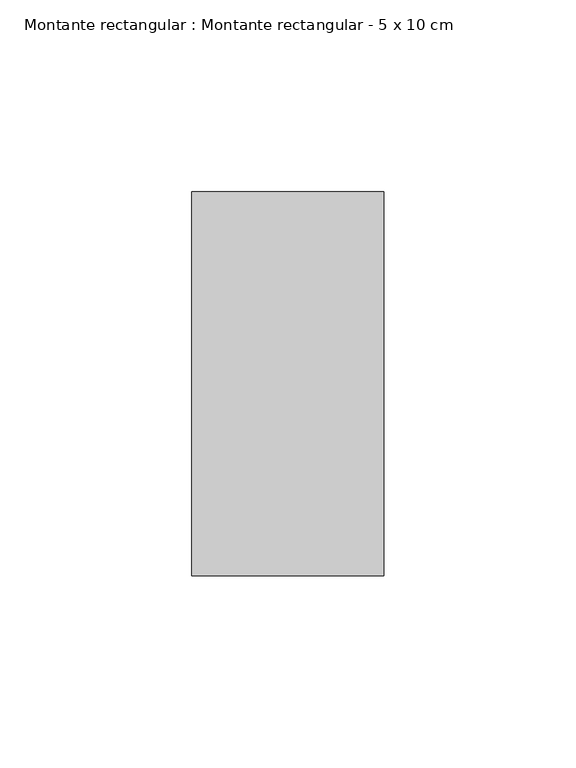
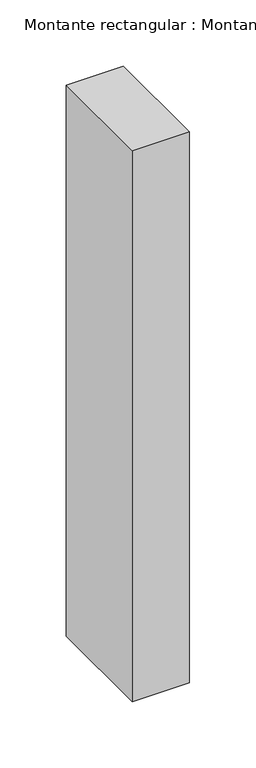
"""IFC4 building model written with IfcOpenShell, lengths in millimetres: member geometry, Montante rectangular : Montante rectangular - 5 x 10 cm."""

from ifc_helpers import new_model, si_unit, frame, origin, place, context, project, spatial, polyline, outline, extrude, source, transform, mapped, element, save


def montante_rectangular_montante_rectangular_5_x_10_cm_753d6e80(model_context):
    return source(origin(), model_context, "Body", "SweptSolid", [
        extrude(outline(polyline([(-50.0, 50.0), (0.0, 50.0), (0.0, -50.0), (-50.0, -50.0), (-50.0, 50.0)])), frame((0.0, 0.0, -509.0), z_axis=(0.0, 0.0, 1.0), x_axis=(1.0, 0.0, 0.0)), (0.0, 0.0, 1.0), 509.0),
    ])


if __name__ == "__main__":
    model = new_model("IFC4")
    model_context = context("Model", 3, world=origin())
    ifc_project = project(units=[si_unit("LENGTHUNIT", "METRE", prefix="MILLI")], contexts=[model_context])
    site = spatial("IfcSite", under=ifc_project)
    building = spatial("IfcBuilding", under=site)
    placement = place(None, origin())
    montante_rectangular_montante_rectangular_5_x_10_cm_shape = montante_rectangular_montante_rectangular_5_x_10_cm_753d6e80(model_context)
    element("IfcMember", 1, ObjectType="Montante rectangular : Montante rectangular - 5 x 10 cm", at=placement, inside=building, context=model_context, shape_type="MappedRepresentation", body=[
        mapped(montante_rectangular_montante_rectangular_5_x_10_cm_shape, transform((0.0, 0.0, 0.0), x_axis=(1.0, 0.0, 0.0), y_axis=(0.0, 1.0, 0.0), z_axis=(0.0, 0.0, 1.0))),
    ])
    save(model, "model.ifc")
